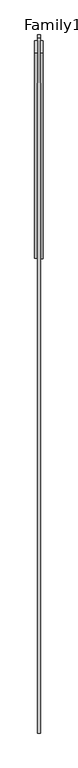
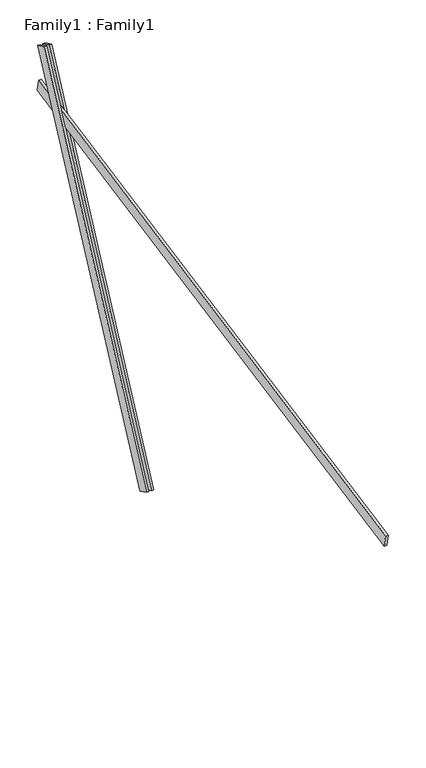
"""IFC4 building model written with IfcOpenShell, lengths in millimetres: proxy geometry, Family1 : Family1."""

from ifc_helpers import new_model, si_unit, frame, origin, place, context, project, spatial, polyline, outline, extrude, source, transform, mapped, element, save


def family1_family1_ec379360(model_context):
    return source(origin(), model_context, "Body", "SweptSolid", [
        extrude(outline(polyline([(0.0, 0.0), (0.0, -20.0), (-100.0000001, -20.0), (-100.0000001, 0.0), (0.0, 0.0)])), frame((-30.0, 46.3241747, -22.5938096), z_axis=(0.0, 0.4383711467890692, 0.8987940462991711), x_axis=(0.0, 0.8987940462991711, -0.4383711467890692)), (0.0, 0.0, 1.0), 3300.0),
        extrude(outline(polyline([(0.0, 0.0), (0.0, -20.0), (-99.9999999, -20.0), (-99.9999999, 0.0), (0.0, 0.0)])), frame((10.0, 45.270232, -22.0797674), z_axis=(0.0, 0.4383711467890692, 0.8987940462991711), x_axis=(0.0, 0.8987940462991711, -0.4383711467890692)), (0.0, 0.0, 1.0), 3300.0),
        extrude(outline(polyline([(0.0, -20.0), (0.0, 0.0), (5000.0, 0.0), (5000.0, -20.0), (0.0, -20.0)])), frame((-10.0, -3374.9624793, 1571.0712315), z_axis=(0.0, -0.1908089953765421, 0.9816271834476646), x_axis=(0.0, 0.9816271834476646, 0.1908089953765421)), (0.0, 0.0, 1.0), 100.0),
    ])


if __name__ == "__main__":
    model = new_model("IFC4")
    model_context = context("Model", 3, world=origin())
    ifc_project = project(units=[si_unit("LENGTHUNIT", "METRE", prefix="MILLI")], contexts=[model_context])
    site = spatial("IfcSite", under=ifc_project)
    building = spatial("IfcBuilding", under=site)
    placement = place(None, origin())
    family1_family1_shape = family1_family1_ec379360(model_context)
    element("IfcBuildingElementProxy", 1, Name="Family1 : Family1", ObjectType="Family1 : Family1", at=placement, inside=building, context=model_context, shape_type="MappedRepresentation", body=[
        mapped(family1_family1_shape, transform((0.0, 0.0, 0.0), x_axis=(1.0, 0.0, 0.0), y_axis=(0.0, 1.0, 0.0), z_axis=(0.0, 0.0, 1.0))),
    ])
    save(model, "model.ifc")
